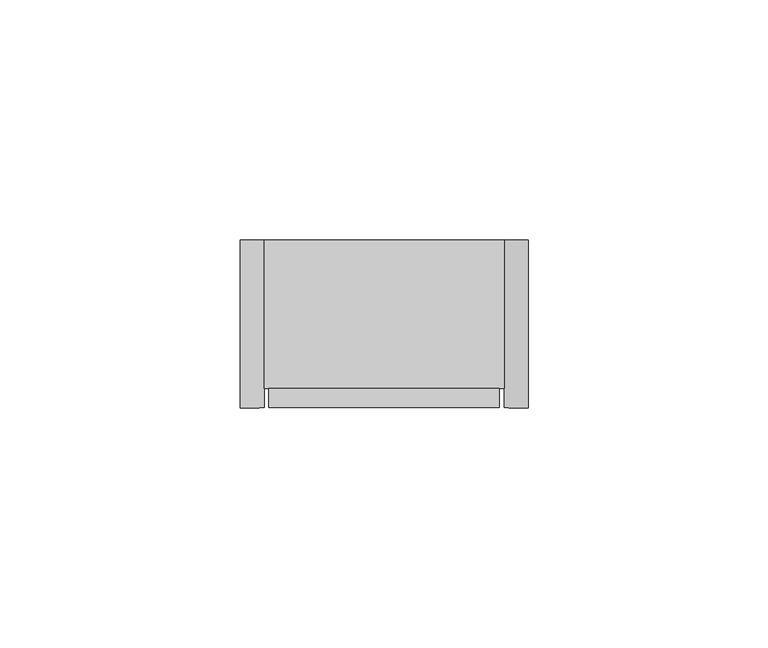
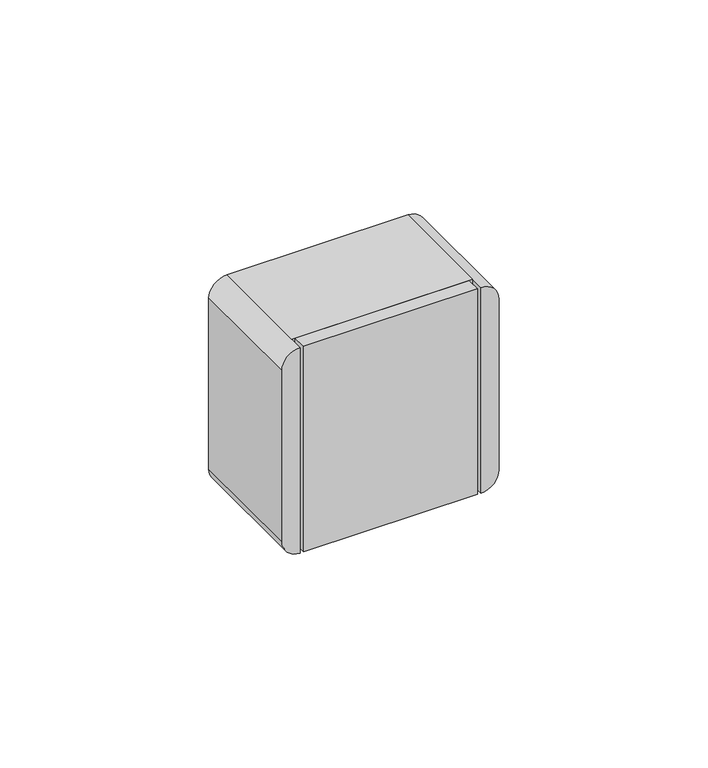
"""IFC4 building model written with IfcOpenShell, lengths in millimetres: proxy geometry."""

from ifc_helpers import new_model, si_unit, frame, origin, place, context, project, spatial, polyline, circle_curve, outline, extrude, source, transform, mapped, element, save
from ifc_brep_helpers import plane_surface, cylinder_surface, advanced_brep


def electrical_fixtures_fb6a4155(model_context):
    return source(origin(), model_context, "Body", "SolidModel", [
        extrude(outline(polyline([(101.0, -35.0), (101.0, -31.0), (149.0, -31.0), (149.0, -35.0), (101.0, -35.0)])), frame((0.0, 0.0, 150.0), z_axis=(0.0, 0.0, 1.0), x_axis=(1.0, 0.0, 0.0)), (0.0, 0.0, 1.0), 60.0),
        advanced_brep(
        [(150.0, -35.0, 210.0), (150.0, -35.0, 150.0), (155.0, -35.0, 155.0), (155.0, -35.0, 205.0), (100.0, -35.0, 150.0), (100.0, -35.0, 210.0), (95.0, -35.0, 205.0), (95.0, -35.0, 155.0), (100.0, 0.0, 210.0), (150.0, 0.0, 210.0), (155.0, 0.0, 205.0), (155.0, 0.0, 155.0), (150.0, 0.0, 150.0), (100.0, 0.0, 150.0), (95.0, 0.0, 155.0), (95.0, 0.0, 205.0), (100.0, -31.0, 210.0), (150.0, -31.0, 210.0), (150.0, -31.0, 150.0), (100.0, -31.0, 150.0)],
        [
            (0, 1),
            (1, 2, circle_curve(frame((150.0, -35.0, 155.0), z_axis=(0.0, -1.0, 0.0), x_axis=(-1.0, 0.0, 0.0)), 5.0)),
            (2, 3),
            (3, 0, circle_curve(frame((150.0, -35.0, 205.0), z_axis=(0.0, -1.0, 0.0), x_axis=(-1.0, 0.0, 0.0)), 5.0)),
            (4, 5),
            (5, 6, circle_curve(frame((100.0, -35.0, 205.0), z_axis=(0.0, -1.0, 0.0), x_axis=(-1.0, 0.0, 0.0)), 5.0)),
            (6, 7),
            (7, 4, circle_curve(frame((100.0, -35.0, 155.0), z_axis=(0.0, -1.0, 0.0), x_axis=(-1.0, 0.0, 0.0)), 5.0)),
            (8, 9),
            (9, 10, circle_curve(frame((150.0, 0.0, 205.0), z_axis=(0.0, 1.0, 0.0), x_axis=(-1.0, 0.0, 0.0)), 5.0)),
            (10, 11),
            (11, 12, circle_curve(frame((150.0, 0.0, 155.0), z_axis=(0.0, 1.0, 0.0), x_axis=(-1.0, 0.0, 0.0)), 5.0)),
            (12, 13),
            (13, 14, circle_curve(frame((100.0, 0.0, 155.0), z_axis=(0.0, 1.0, 0.0), x_axis=(-1.0, 0.0, 0.0)), 5.0)),
            (14, 15),
            (15, 8, circle_curve(frame((100.0, 0.0, 205.0), z_axis=(0.0, 1.0, 0.0), x_axis=(-1.0, 0.0, 0.0)), 5.0)),
            (8, 16),
            (16, 17),
            (17, 9),
            (2, 11),
            (10, 3),
            (12, 18),
            (18, 19),
            (19, 13),
            (6, 15),
            (14, 7),
            (17, 0),
            (1, 18),
            (19, 4),
            (5, 16),
            (16, 19),
            (18, 17),
        ],
        [
            plane_surface(frame((145.0, -35.0, 210.0), z_axis=(0.0, -1.0, 0.0), x_axis=(1.0, 0.0, 0.0))),
            plane_surface(frame((145.0, 0.0, 210.0), z_axis=(0.0, 1.0, 0.0), x_axis=(-1.0, 0.0, 0.0))),
            plane_surface(frame((100.0, -35.0, 210.0), z_axis=(0.0, 0.0, 1.0), x_axis=(0.0, 1.0, 0.0))),
            plane_surface(frame((155.0, -35.0, 205.0), z_axis=(1.0, 0.0, 0.0), x_axis=(0.0, 1.0, 0.0))),
            plane_surface(frame((150.0, -35.0, 150.0), z_axis=(0.0, 0.0, -1.0), x_axis=(0.0, 1.0, 0.0))),
            plane_surface(frame((95.0, -35.0, 155.0), z_axis=(-1.0, 0.0, 0.0), x_axis=(0.0, 1.0, 0.0))),
            cylinder_surface(frame((150.0, 0.0, 205.0), z_axis=(0.0, -1.0, 0.0), x_axis=(-1.0, 0.0, 0.0)), 5.0),
            cylinder_surface(frame((150.0, 0.0, 155.0), z_axis=(0.0, -1.0, 0.0), x_axis=(-1.0, 0.0, 0.0)), 5.0),
            cylinder_surface(frame((100.0, 0.0, 155.0), z_axis=(0.0, -1.0, 0.0), x_axis=(-1.0, 0.0, 0.0)), 5.0),
            cylinder_surface(frame((100.0, 0.0, 205.0), z_axis=(0.0, -1.0, 0.0), x_axis=(-1.0, 0.0, 0.0)), 5.0),
            plane_surface(frame((100.0, -31.0, 210.0), z_axis=(0.0, -1.0, 0.0), x_axis=(0.0, 0.0, -1.0))),
            plane_surface(frame((100.0, -31.0, 210.0), z_axis=(1.0, 0.0, 0.0), x_axis=(0.0, -1.0, 0.0))),
            plane_surface(frame((150.0, -31.0, 150.0), z_axis=(-1.0, 0.0, 0.0), x_axis=(0.0, -1.0, 0.0))),
        ],
        [
            (0, [[1, 2, 3, 4]]),
            (0, [[5, 6, 7, 8]]),
            (1, [[9, 10, 11, 12, 13, 14, 15, 16]]),
            (2, [[17, 18, 19, -9]]),
            (3, [[20, -11, 21, -3]]),
            (4, [[22, 23, 24, -13]]),
            (5, [[25, -15, 26, -7]]),
            (6, [[-21, -10, -19, 27, -4]]),
            (7, [[28, -22, -12, -20, -2]]),
            (8, [[-26, -14, -24, 29, -8]]),
            (9, [[30, -17, -16, -25, -6]]),
            (10, [[-18, 31, -23, 32]]),
            (11, [[-30, -5, -29, -31]]),
            (12, [[-28, -1, -27, -32]]),
        ],
    ),
    ])


if __name__ == "__main__":
    model = new_model("IFC4")
    model_context = context("Model", 3, world=origin())
    ifc_project = project(units=[si_unit("LENGTHUNIT", "METRE", prefix="MILLI")], contexts=[model_context])
    site = spatial("IfcSite", under=ifc_project)
    building = spatial("IfcBuilding", under=site)
    placement = place(None, origin())
    electrical_fixtures_shape = electrical_fixtures_fb6a4155(model_context)
    element("IfcBuildingElementProxy", 1, Name="Electrical Fixtures", at=placement, inside=building, context=model_context, shape_type="MappedRepresentation", body=[
        mapped(electrical_fixtures_shape, transform((0.0, 0.0, 0.0), x_axis=(1.0, 0.0, 0.0), y_axis=(0.0, 1.0, 0.0), z_axis=(0.0, 0.0, 1.0))),
    ])
    save(model, "model.ifc")
